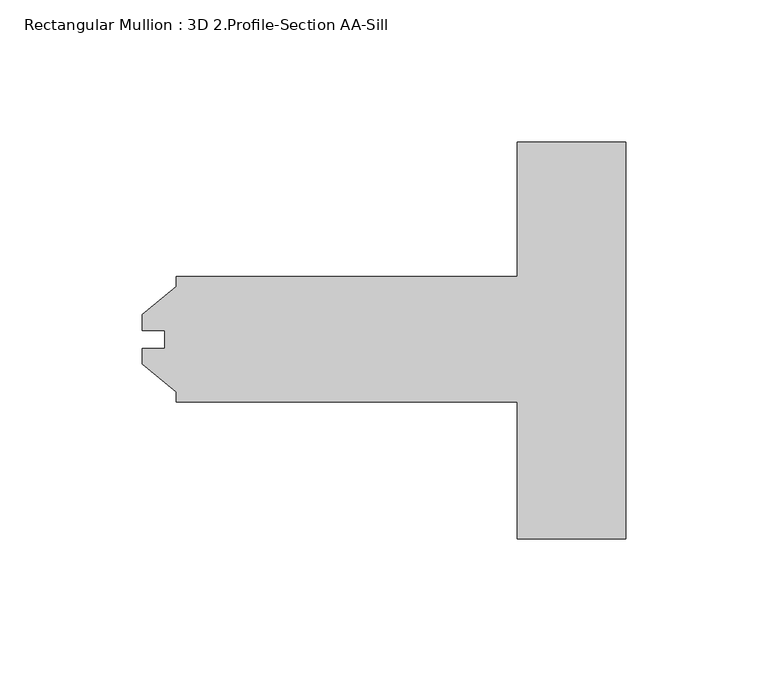
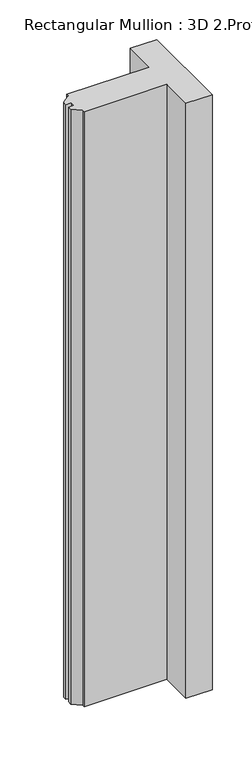
"""IFC4 building model written with IfcOpenShell, lengths in millimetres: member geometry, Rectangular Mullion : 3D 2.Profile-Section AA-Sill."""

from ifc_helpers import new_model, si_unit, frame, origin, place, context, project, spatial, polyline, outline, extrude, source, transform, mapped, element, save


def rectangular_mullion_3d_2_profile_section_aa_sill_61c2e7c8(model_context):
    return source(origin(), model_context, "Body", "SweptSolid", [
        extrude(outline(polyline([(-170.0647623, -3.2199168), (-162.1209123, -3.2199168), (-162.1209123, 3.1300832), (-170.0647623, 3.1300832), (-170.0647623, 8.7053832), (-158.1585123, 18.4739192), (-158.1585123, 22.0530832), (-38.1, 22.0530832), (-38.1, 69.3539062), (0.0, 69.3539062), (0.0, -70.3460937), (-38.1, -70.3460938), (-38.1, -22.1429168), (-158.1585123, -22.1429168), (-158.1585123, -18.5637528), (-170.0647623, -8.7952168), (-170.0647623, -3.2199168)])), frame((0.0, 0.0, -914.4), z_axis=(0.0, 0.0, 1.0), x_axis=(1.0, 0.0, 0.0)), (0.0, 0.0, 1.0), 914.4),
    ])


if __name__ == "__main__":
    model = new_model("IFC4")
    model_context = context("Model", 3, world=origin())
    ifc_project = project(units=[si_unit("LENGTHUNIT", "METRE", prefix="MILLI")], contexts=[model_context])
    site = spatial("IfcSite", under=ifc_project)
    building = spatial("IfcBuilding", under=site)
    placement = place(None, origin())
    rectangular_mullion_3d_2_profile_section_aa_sill_shape = rectangular_mullion_3d_2_profile_section_aa_sill_61c2e7c8(model_context)
    element("IfcMember", 1, ObjectType="Rectangular Mullion : 3D 2.Profile-Section AA-Sill", at=placement, inside=building, context=model_context, shape_type="MappedRepresentation", body=[
        mapped(rectangular_mullion_3d_2_profile_section_aa_sill_shape, transform((0.0, 0.0, 0.0), x_axis=(1.0, 0.0, 0.0), y_axis=(0.0, 1.0, 0.0), z_axis=(0.0, 0.0, 1.0))),
    ])
    save(model, "model.ifc")
